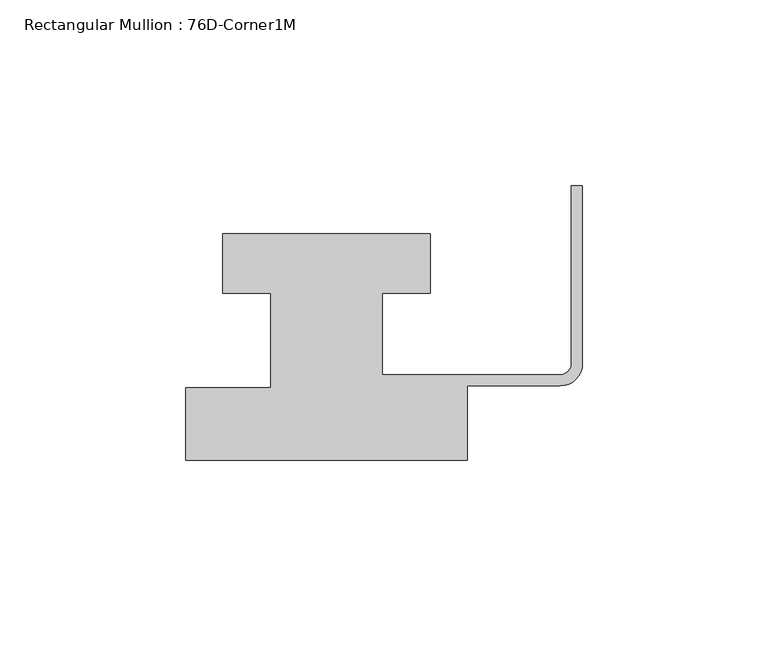
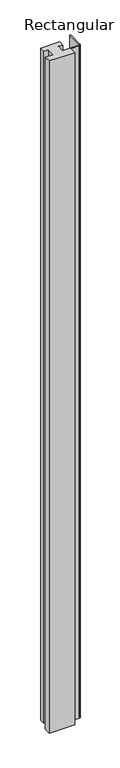
"""IFC4 building model written with IfcOpenShell, lengths in millimetres: member geometry, Rectangular Mullion : 76D-Corner1M."""

from ifc_helpers import new_model, si_unit, point, frame, frame_2d, origin, place, context, project, spatial, polyline, circle_curve, trimmed, segment, composite_curve, outline, extrude, source, transform, mapped, element, save


def rectangular_mullion_76d_corner1m_95ce37e5(model_context):
    return source(origin(), model_context, "Body", "SweptSolid", [
        extrude(outline(composite_curve([segment(polyline([(-97.0, 25.0), (-97.0, 41.0), (-41.0, 41.0), (-41.0, 25.0), (-54.0, 25.0), (-54.0, 3.0), (-6.0, 3.0)]), True, "CONTINUOUS"), segment(trimmed(circle_curve(frame_2d((-6.0, 6.0)), 3.0), [point((-6.0, 3.0))], [point((-3.0, 6.0))], True, "CARTESIAN"), True, "CONTINUOUS"), segment(polyline([(-3.0, 6.0), (-3.0, 54.0), (0.0, 54.0), (0.0, 6.0)]), True, "CONTINUOUS"), segment(trimmed(circle_curve(frame_2d((-6.0, 6.0)), 6.0), [point((0.0, 6.0))], [point((-6.0, 0.0))], False, "CARTESIAN"), True, "CONTINUOUS"), segment(polyline([(-6.0, 0.0), (-31.0, 0.0), (-31.0, -20.0), (-107.0, -20.0), (-107.0, -0.5), (-84.0, -0.5), (-84.0, 25.0), (-97.0, 25.0)]), True, "CONTINUOUS")], self_intersect=False)), frame((0.0, 0.0, -2124.0), z_axis=(0.0, 0.0, 1.0), x_axis=(1.0, 0.0, 0.0)), (0.0, 0.0, 1.0), 2124.0),
    ])


if __name__ == "__main__":
    model = new_model("IFC4")
    model_context = context("Model", 3, world=origin())
    ifc_project = project(units=[si_unit("LENGTHUNIT", "METRE", prefix="MILLI")], contexts=[model_context])
    site = spatial("IfcSite", under=ifc_project)
    building = spatial("IfcBuilding", under=site)
    placement = place(None, origin())
    rectangular_mullion_76d_corner1m_shape = rectangular_mullion_76d_corner1m_95ce37e5(model_context)
    element("IfcMember", 1, ObjectType="Rectangular Mullion : 76D-Corner1M", at=placement, inside=building, context=model_context, shape_type="MappedRepresentation", body=[
        mapped(rectangular_mullion_76d_corner1m_shape, transform((0.0, 0.0, 0.0), x_axis=(1.0, 0.0, 0.0), y_axis=(0.0, 1.0, 0.0), z_axis=(0.0, 0.0, 1.0))),
    ])
    save(model, "model.ifc")
